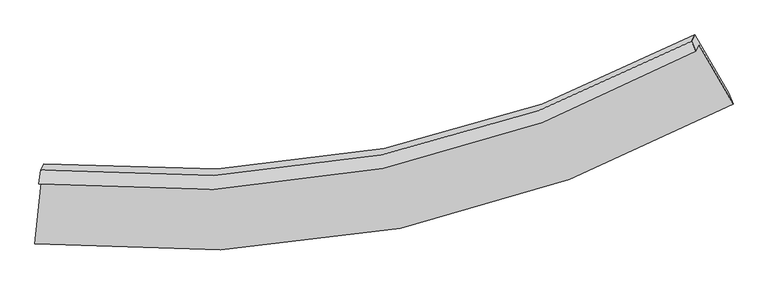
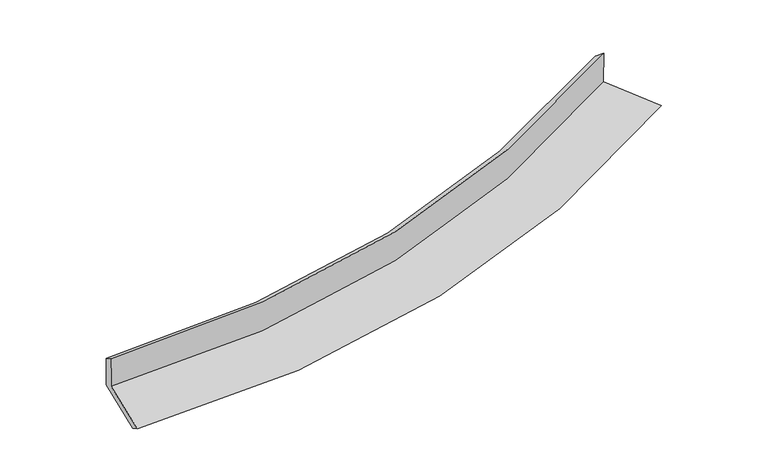
"""IFC4 building model written with IfcOpenShell, lengths in millimetres: proxy geometry."""

from ifc_helpers import new_model, si_unit, frame, origin, place, context, project, spatial, source, transform, mapped, element, save
from ifc_brep_helpers import plane_surface, spline_curve, spline_surface, advanced_brep


def generic_models_dcd0c1c4(model_context):
    return source(origin(), model_context, "Body", "AdvancedBrep", [
        advanced_brep(
        [(-3322.59234, -2028.0297787, 1972.0123215), (-3292.0040827, -1969.6534226, 1593.6510813), (3120.0141135, -668.6917784, 2267.8357422), (3088.310497, -729.1967491, 2659.9934114), (-3301.5624292, -1891.3560411, 1890.1038055), (3048.0858745, -633.5122661, 2580.5860814), (-3271.7576125, -1834.4748469, 1521.4333268), (3080.7382495, -571.196631, 2176.6927499), (-3340.976999, -2488.0213874, 1415.0033817), (3410.5566903, -1142.7575029, 2115.1719935), (-3360.1228521, -2612.8083004, 1488.9134168), (3452.951321, -1245.657336, 2205.7332448)],
        [
            (0, 1),
            (1, 2, spline_curve(3, [(-3292.0040827, -1969.6534226, 1593.6510813), (-2133.539485642, -2091.033481197, 1652.170726127), (-1014.077054753, -2039.994851708, 1738.608711914), (1121.45063857, -1598.331881367, 1964.633778336), (2139.327606644, -1215.716629397, 2102.924012612), (3120.0141135, -668.6917784, 2267.8357422)], [4, 2, 4], [0.0, 11.055269294222587, 21.850719103922465])),
            (2, 3),
            (3, 0, spline_curve(3, [(3088.310497, -729.1967491, 2659.9934114), (2106.737424983, -1277.913570945, 2506.048044823), (1088.502652727, -1661.21167695, 2372.183667009), (-1046.679012608, -2102.214267575, 2141.878406709), (-2165.411852638, -2151.860505274, 2046.415754569), (-3322.59234, -2028.0297787, 1972.0123215)], [4, 2, 4], [0.0, 10.795449809699878, 21.850719103922465])),
            (4, 0),
            (3, 5),
            (5, 4, spline_curve(3, [(3048.0858745, -633.5122661, 2580.5860814), (2072.682881249, -1164.261879527, 2418.727849168), (1062.553704827, -1535.134537529, 2280.656488746), (-1052.304070024, -1962.204080657, 2049.336970778), (-2158.724328214, -2010.612681502, 1957.247572385), (-3301.5624292, -1891.3560411, 1890.1038055)], [4, 2, 4], [0.0, 10.737236384813418, 21.73289120256643])),
            (6, 4),
            (5, 7),
            (7, 6, spline_curve(3, [(3080.7382495, -571.196631, 2176.6927499), (2105.766795432, -1101.122670634, 2009.496595053), (1095.624267653, -1472.020809302, 1871.590386481), (-1020.1610208, -1900.860471772, 1651.743741279), (-2127.517113415, -1951.055071756, 1571.230141818), (-3271.7576125, -1834.4748469, 1521.4333268)], [4, 2, 4], [0.0, 10.71249671572628, 21.682816442415046])),
            (8, 6),
            (7, 9),
            (9, 8, spline_curve(3, [(3410.5566903, -1142.7575029, 2115.1719935), (2371.456832475, -1703.040367633, 1938.107764056), (1296.401788374, -2095.968027609, 1791.554887733), (-952.357911717, -2552.541905002, 1556.679012959), (-2127.814097149, -2608.035539334, 1469.842352025), (-3340.976999, -2488.0213874, 1415.0033817)], [4, 2, 4], [0.0, 11.014332631433495, 22.293752709625288])),
            (10, 8),
            (9, 11),
            (11, 10, spline_curve(3, [(3452.951321, -1245.657336, 2205.7332448), (2407.245794609, -1825.981758132, 2030.427411368), (1323.84150417, -2230.830156566, 1883.409388646), (-945.346753356, -2695.095326392, 1643.091427039), (-2132.967187114, -2745.963915893, 1551.169506616), (-3360.1228521, -2612.8083004, 1488.9134168)], [4, 2, 4], [0.0, 11.407758498183345, 23.090073220035517])),
            (1, 10),
            (11, 2),
        ],
        [
            spline_surface(3, 3, [[(-3322.59234, -2028.0297787, 1972.0123215), (-2165.411852753, -2151.860505193, 2046.415754734), (-1046.679012605, -2102.214267701, 2141.878406798), (1088.502652724, -1661.211676827, 2372.183666922), (2106.737424915, -1277.913571103, 2506.048044866), (3088.310497, -729.1967491, 2659.9934114)], [(-3312.396254259, -2008.570993323, 1845.89190811), (-2154.787730388, -2131.584830568, 1915.000745219), (-1035.811693366, -2081.474462439, 2007.455175204), (1099.485314706, -1640.251744964, 2236.333704043), (2117.600818832, -1257.181257145, 2371.673367506), (3098.878369167, -709.028425528, 2529.274188334)], [(-3302.200168441, -1989.112207977, 1719.77149469), (-2144.163607944, -2111.309155974, 1783.585735673), (-1024.944374112, -2060.73465714, 1873.031943586), (1110.467976704, -1619.291813065, 2100.483741139), (2128.46421275, -1236.448943204, 2237.298690145), (3109.446241333, -688.860101972, 2398.554965266)], [(-3292.0040827, -1969.6534226, 1593.6510813), (-2133.539485579, -2091.033481349, 1652.170726158), (-1014.077054873, -2039.994851878, 1738.608711992), (1121.450638687, -1598.331881202, 1964.63377826), (2139.327606667, -1215.716629247, 2102.924012785), (3120.0141135, -668.6917784, 2267.8357422)]], [4, 4], [4, 2, 4], [0.0, 1.349932511841806], [0.0, 11.055269294222587, 21.850719103922465]),
            spline_surface(3, 3, [[(-3301.5624292, -1891.3560411, 1890.1038055), (-2158.724328156, -2010.612681323, 1957.247572305), (-1052.304070007, -1962.204080761, 2049.336970707), (1062.553704809, -1535.134537427, 2280.656488815), (2072.682881229, -1164.261879649, 2418.727849073), (3048.0858745, -633.5122661, 2580.5860814)], [(-3308.57239944, -1936.913953642, 1917.406644171), (-2160.953502995, -2057.695289289, 1986.970299786), (-1050.429050896, -2008.874143049, 2080.184116078), (1071.203354091, -1577.160250535, 2311.165548191), (2084.034395816, -1202.145776814, 2447.834581002), (3061.494082025, -665.407093781, 2607.055191398)], [(-3315.58236976, -1982.471866158, 1944.709482829), (-2163.182677914, -2104.777897227, 2016.693027253), (-1048.554031716, -2055.544205413, 2111.031261427), (1079.853003442, -1619.185963719, 2341.674607546), (2095.385910328, -1240.029673937, 2476.941312937), (3074.902289475, -697.301921419, 2633.524301402)], [(-3322.59234, -2028.0297787, 1972.0123215), (-2165.411852753, -2151.860505193, 2046.415754734), (-1046.679012605, -2102.214267701, 2141.878406798), (1088.502652724, -1661.211676827, 2372.183666922), (2106.737424915, -1277.913571103, 2506.048044866), (3088.310497, -729.1967491, 2659.9934114)]], [4, 4], [4, 2, 4], [0.0, 0.533658180114377], [0.0, 10.995654817753014, 21.73289120256643]),
            spline_surface(3, 3, [[(-3271.7576125, -1834.4748469, 1521.4333268), (-2127.517113526, -1951.055071778, 1571.230141925), (-1020.161020765, -1900.860471821, 1651.743741222), (1095.624267619, -1472.020809254, 1871.590386536), (2105.766795547, -1101.122670565, 2009.496594915), (3080.7382495, -571.196631, 2176.6927499)], [(-3281.692551421, -1853.43524495, 1644.323486375), (-2137.919518423, -1970.907608276, 1699.902618726), (-1030.875370511, -1921.30834147, 1784.274817706), (1084.600746684, -1493.058718648, 2007.945753951), (2094.738824096, -1122.169073573, 2145.90701295), (3069.854124489, -591.968509347, 2311.323860382)], [(-3291.627490279, -1872.39564305, 1767.213645925), (-2148.321923258, -1990.760144824, 1828.575095504), (-1041.589720261, -1941.756211112, 1916.805894224), (1073.577225744, -1514.096628034, 2144.3011214), (2083.71085268, -1143.215476641, 2282.317431038), (3058.969999511, -612.740387753, 2445.954970918)], [(-3301.5624292, -1891.3560411, 1890.1038055), (-2158.724328156, -2010.612681323, 1957.247572305), (-1052.304070007, -1962.204080761, 2049.336970707), (1062.553704809, -1535.134537427, 2280.656488815), (2072.682881229, -1164.261879649, 2418.727849073), (3048.0858745, -633.5122661, 2580.5860814)]], [4, 4], [4, 2, 4], [0.0, 1.3427218756454224], [0.0, 10.970319726688766, 21.682816442415046]),
            spline_surface(3, 3, [[(-3340.976999, -2488.0213874, 1415.0033817), (-2127.814097174, -2608.035539352, 1469.842351873), (-952.357911693, -2552.541904836, 1556.679012968), (1296.40178835, -2095.968027771, 1791.554887724), (2371.45683263, -1703.04036746, 1938.107763938), (3410.5566903, -1142.7575029, 2115.1719935)], [(-3317.903870159, -2270.172540557, 1450.480030048), (-2127.715102617, -2389.042050151, 1503.638281872), (-974.958948048, -2335.314760508, 1588.367255717), (1229.475948108, -1887.985621609, 1818.233387326), (2282.89348693, -1502.401135161, 1961.904040946), (3300.617210028, -952.237212267, 2135.678912315)], [(-3294.830741341, -2052.323693743, 1485.956678452), (-2127.616108083, -2170.048560979, 1537.434211926), (-997.559984409, -2118.087616149, 1620.055498474), (1162.550107861, -1680.003215416, 1844.911886935), (2194.330141246, -1301.761902863, 1985.700317908), (3190.677729772, -761.716921633, 2156.185831085)], [(-3271.7576125, -1834.4748469, 1521.4333268), (-2127.517113526, -1951.055071778, 1571.230141925), (-1020.161020765, -1900.860471821, 1651.743741222), (1095.624267619, -1472.020809254, 1871.590386536), (2105.766795547, -1101.122670565, 2009.496594915), (3080.7382495, -571.196631, 2176.6927499)]], [4, 4], [4, 2, 4], [0.0, 2.1577133042466565], [0.0, 11.279420078191793, 22.293752709625288]),
            spline_surface(3, 3, [[(-3360.1228521, -2612.8083004, 1488.9134168), (-2132.967187113, -2745.963916021, 1551.169506624), (-945.346753388, -2695.095326437, 1643.091426853), (1323.841504202, -2230.830156522, 1883.409388827), (2407.24579479, -1825.981757952, 2030.427411303), (3452.951321, -1245.657336, 2205.7332448)], [(-3353.740901056, -2571.212662754, 1464.276738431), (-2131.249490456, -2699.987790485, 1524.060455038), (-947.683806141, -2647.57751924, 1614.28728889), (1314.694932266, -2185.876113608, 1852.791221791), (2395.316140722, -1785.001294462, 1999.654195511), (3438.819777419, -1211.35739164, 2175.546161029)], [(-3347.358950044, -2529.617025046, 1439.640060069), (-2129.531793831, -2654.011664888, 1496.951403458), (-950.02085894, -2600.059712033, 1585.483150932), (1305.548360285, -2140.922070685, 1822.17305476), (2383.386486697, -1744.020830951, 1968.880979731), (3424.688233881, -1177.05744726, 2145.359077271)], [(-3340.976999, -2488.0213874, 1415.0033817), (-2127.814097174, -2608.035539352, 1469.842351873), (-952.357911693, -2552.541904836, 1556.679012968), (1296.40178835, -2095.968027771, 1791.554887724), (2371.45683263, -1703.04036746, 1938.107763938), (3410.5566903, -1142.7575029, 2115.1719935)]], [4, 4], [4, 2, 4], [0.0, 0.5439242418775571], [0.0, 11.682314721852173, 23.090073220035517]),
            spline_surface(3, 3, [[(-3292.0040827, -1969.6534226, 1593.6510813), (-2133.539485579, -2091.033481349, 1652.170726158), (-1014.077054873, -2039.994851878, 1738.608711992), (1121.450638687, -1598.331881202, 1964.63377826), (2139.327606667, -1215.716629247, 2102.924012785), (3120.0141135, -668.6917784, 2267.8357422)], [(-3314.710339164, -2184.038381874, 1558.738526464), (-2133.348719421, -2309.343626247, 1618.503652977), (-991.166954368, -2258.361676728, 1706.769616946), (1188.914260535, -1809.164639639, 1937.558981782), (2228.633669381, -1419.13833882, 2078.758478966), (3230.993182673, -861.013630938, 2247.134909741)], [(-3337.416595636, -2398.423341126, 1523.825971636), (-2133.15795327, -2527.653771122, 1584.836579804), (-968.256853893, -2476.728501587, 1674.9305219), (1256.377882353, -2019.997398085, 1910.484185305), (2317.939732076, -1622.560048379, 2054.592945123), (3341.972251827, -1053.335483462, 2226.434077259)], [(-3360.1228521, -2612.8083004, 1488.9134168), (-2132.967187113, -2745.963916021, 1551.169506624), (-945.346753388, -2695.095326437, 1643.091426853), (1323.841504202, -2230.830156522, 1883.409388827), (2407.24579479, -1825.981757952, 2030.427411303), (3452.951321, -1245.657336, 2205.7332448)]], [4, 4], [4, 2, 4], [0.0, 2.1777590202186334], [0.0, 11.3990353628815, 22.5301720963205]),
            plane_surface(frame((3200.1094576, -831.8353773, 2334.3355372), z_axis=(0.8637158370336093, 0.4828712125073237, 0.14432721499786139), x_axis=(-0.4976461087354182, 0.862398849205678, 0.0928255102287016))),
            plane_surface(frame((-3314.8360526, -2137.3906295, 1646.852889), z_axis=(-0.9913863862086613, 0.11515975224859765, -0.06238000242203241), x_axis=(-0.07964485744750216, -0.15199874019357987, 0.9851665238231209))),
        ],
        [
            (0, [[1, 2, 3, 4]]),
            (1, [[5, -4, 6, 7]]),
            (2, [[8, -7, 9, 10]]),
            (3, [[11, -10, 12, 13]]),
            (4, [[14, -13, 15, 16]]),
            (5, [[17, -16, 18, -2]]),
            (6, [[-12, -9, -6, -3, -18, -15]]),
            (7, [[-1, -5, -8, -11, -14, -17]]),
        ],
    ),
    ])


if __name__ == "__main__":
    model = new_model("IFC4")
    model_context = context("Model", 3, world=origin())
    ifc_project = project(units=[si_unit("LENGTHUNIT", "METRE", prefix="MILLI")], contexts=[model_context])
    site = spatial("IfcSite", under=ifc_project)
    building = spatial("IfcBuilding", under=site)
    placement = place(None, origin())
    generic_models_shape = generic_models_dcd0c1c4(model_context)
    element("IfcBuildingElementProxy", 1, Name="Generic Models", at=placement, inside=building, context=model_context, shape_type="MappedRepresentation", body=[
        mapped(generic_models_shape, transform((0.0, 0.0, 0.0), x_axis=(1.0, 0.0, 0.0), y_axis=(0.0, 1.0, 0.0), z_axis=(0.0, 0.0, 1.0))),
    ])
    save(model, "model.ifc")
